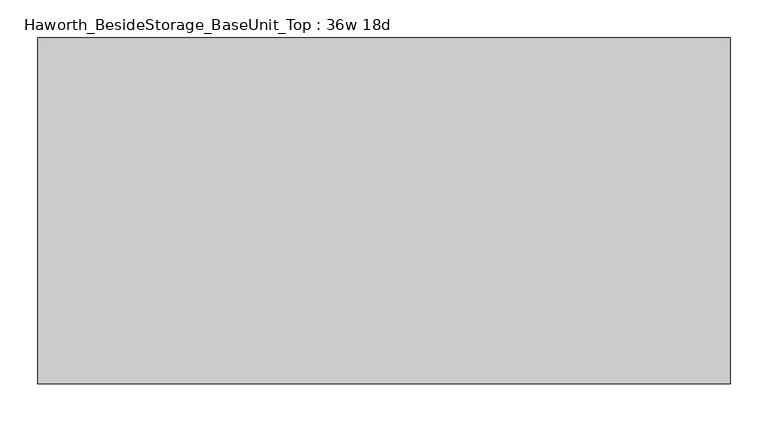
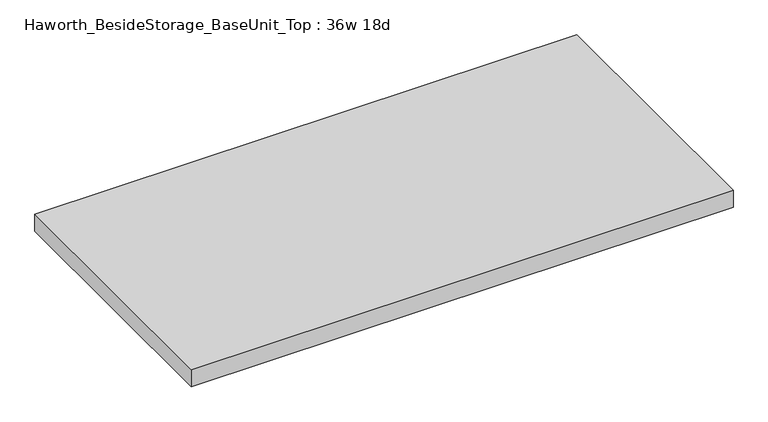
"""IFC4 building model written with IfcOpenShell, lengths in millimetres: furniture geometry, Haworth_BesideStorage_BaseUnit_Top : 36w 18d."""

import ifcopenshell
import ifcopenshell.guid

model = None  # the IFC model being written
_history = None  # IfcOwnerHistory: only IFC2X3 demands one
_inside = {}  # id of a spatial element -> (the spatial element, [elements in it])
_under = {}  # id of a project, library or spatial element -> (it, [spatial elements below it])
_declared = {}  # id of a project -> (the project, [libraries it declares])
_typed = {}  # id of a type object -> (the type object, [elements of that type])
_made_of = {}  # id of a material, layer set ... -> (it, [elements and type objects made of it])


def new_model(schema):
    """Start an empty IFC model of exactly this schema.

    Asked for "IFC4X3", IfcOpenShell would pick the latest addendum, in which some entities
    have other attributes; the version numbers below select the first issue.
    IFC2X3 requires an IfcOwnerHistory on every rooted entity: one is made here for all.
    """
    global model, _history
    if schema == "IFC4X3":
        model = ifcopenshell.file(schema_version=(4, 3, 0, 0))
    else:
        model = ifcopenshell.file(schema=schema)
    _inside.clear()
    _under.clear()
    _declared.clear()
    _typed.clear()
    _made_of.clear()
    _history = None
    if model.schema == "IFC2X3":
        org = make("IfcOrganization", Name="unknown")
        user = make(
            "IfcPersonAndOrganization",
            ThePerson=make("IfcPerson", FamilyName="unknown"),
            TheOrganization=org,
        )
        app = make(
            "IfcApplication",
            ApplicationDeveloper=org,
            Version="unknown",
            ApplicationFullName="unknown",
            ApplicationIdentifier="unknown",
        )
        _history = make(
            "IfcOwnerHistory",
            OwningUser=user,
            OwningApplication=app,
            ChangeAction="ADDED",
            CreationDate=0,
        )
    return model


def make(cls, **values):
    """One entity of the class cls with the attributes given. An attribute that is None is left unset."""
    return model.create_entity(
        cls, **{name: value for name, value in values.items() if value is not None}
    )


def rooted(cls, **values):
    """An entity with a GlobalId (a new one), such as an element, a storey or a relation."""
    return make(cls, GlobalId=ifcopenshell.guid.new(), OwnerHistory=_history, **values)


def si_unit(unit_type, name, prefix=None):
    """IfcSIUnit, for example si_unit("LENGTHUNIT", "METRE", prefix="MILLI")."""
    return make("IfcSIUnit", UnitType=unit_type, Prefix=prefix, Name=name)


def assignment(units):
    """IfcUnitAssignment: the units of a project."""
    return None if units is None else make("IfcUnitAssignment", Units=units)


def point(xyz):
    """IfcCartesianPoint."""
    return None if xyz is None else make("IfcCartesianPoint", Coordinates=xyz)


def direction(xyz):
    """IfcDirection."""
    return None if xyz is None else make("IfcDirection", DirectionRatios=xyz)


def frame(location, z_axis=None, x_axis=None):
    """IfcAxis2Placement3D, a coordinate frame: its origin and axes. An axis left out is left unset."""
    return make(
        "IfcAxis2Placement3D",
        Location=point(location),
        Axis=direction(z_axis),
        RefDirection=direction(x_axis),
    )


def origin():
    """The frame at (0, 0, 0) with its axes left unset."""
    return frame((0.0, 0.0, 0.0))


def place(relative_to, where):
    """IfcLocalPlacement: puts the frame where relative to a parent placement (None: the world)."""
    return make(
        "IfcLocalPlacement", PlacementRelTo=relative_to, RelativePlacement=where
    )


def context(
    kind, dimensions, precision=None, world=None, true_north=None, identifier=None
):
    """IfcGeometricRepresentationContext, for example the 3D "Model" context."""
    return make(
        "IfcGeometricRepresentationContext",
        ContextIdentifier=identifier,
        ContextType=kind,
        CoordinateSpaceDimension=dimensions,
        Precision=precision,
        WorldCoordinateSystem=world,
        TrueNorth=true_north,
    )


def project(units=None, contexts=None):
    """IfcProject with its units and contexts."""
    return rooted(
        "IfcProject",
        Name="project",
        RepresentationContexts=contexts,
        UnitsInContext=assignment(units),
    )


def spatial(cls, under=None, at=None, **own):
    """A site, building, storey or space (cls), placed at a placement, below another one or the project."""
    s = rooted(cls, ObjectPlacement=at, **own)
    if under is not None:
        _under.setdefault(under.id(), (under, []))[1].append(s)
    return s


def polyline(points):
    """IfcPolyline through the points."""
    return make("IfcPolyline", Points=[point(p) for p in points])


def outline(outer, holes=None, kind="AREA"):
    """IfcArbitraryClosedProfileDef: a profile drawn as a closed curve; with holes, ...WithVoids."""
    if holes is None:
        return make("IfcArbitraryClosedProfileDef", ProfileType=kind, OuterCurve=outer)
    return make(
        "IfcArbitraryProfileDefWithVoids",
        ProfileType=kind,
        OuterCurve=outer,
        InnerCurves=holes,
    )


def extrude(swept, where, along, depth):
    """IfcExtrudedAreaSolid: the profile swept, set in the frame where, extruded along a direction by depth."""
    return make(
        "IfcExtrudedAreaSolid",
        SweptArea=swept,
        Position=where,
        ExtrudedDirection=direction(along),
        Depth=depth,
    )


def shape(context_of_items, identifier, shape_type, items):
    """IfcShapeRepresentation: the items that make up one representation, for example the "Body"."""
    return make(
        "IfcShapeRepresentation",
        ContextOfItems=context_of_items,
        RepresentationIdentifier=identifier,
        RepresentationType=shape_type,
        Items=items,
    )


def source(mapping_origin, context_of_items, identifier, shape_type, items):
    """IfcRepresentationMap: a shape defined once, which mapped items show again and again."""
    return make(
        "IfcRepresentationMap",
        MappingOrigin=mapping_origin,
        MappedRepresentation=shape(context_of_items, identifier, shape_type, items),
    )


def transform(
    local_origin,
    x_axis=None,
    y_axis=None,
    z_axis=None,
    scale=None,
    scale2=None,
    scale3=None,
    uniform=True,
):
    """IfcCartesianTransformationOperator3D, or its non-uniform kind. x_axis, y_axis, z_axis: its Axis1, 2, 3."""
    if uniform:
        return make(
            "IfcCartesianTransformationOperator3D",
            Axis1=direction(x_axis),
            Axis2=direction(y_axis),
            LocalOrigin=point(local_origin),
            Scale=scale,
            Axis3=direction(z_axis),
        )
    return make(
        "IfcCartesianTransformationOperator3DnonUniform",
        Axis1=direction(x_axis),
        Axis2=direction(y_axis),
        LocalOrigin=point(local_origin),
        Scale=scale,
        Axis3=direction(z_axis),
        Scale2=scale2,
        Scale3=scale3,
    )


def mapped(mapping_source, mapping_target):
    """IfcMappedItem: shows the shape of a source again, moved by a transform."""
    return make(
        "IfcMappedItem", MappingSource=mapping_source, MappingTarget=mapping_target
    )


def made_of(thing, what):
    """Note that an element or type object is made of a material, layer set ...; save() writes the relation."""
    if what is not None:
        _made_of.setdefault(what.id(), (what, []))[1].append(thing)
    return thing


def element(
    cls,
    number,
    at=None,
    inside=None,
    cuts=None,
    type_object=None,
    material=None,
    context=None,
    identifier="Body",
    shape_type=None,
    held_by="IfcProductDefinitionShape",
    body=None,
    shapes=None,
    **own,
):
    """One element of the class cls, such as IfcWall. Its Tag is "e" and its number.

    at: its placement. inside: the storey or other place that contains it. cuts: it is an
    opening in that element (IfcRelVoidsElement). A single representation is given by context,
    identifier, shape_type and body (its items); several are given by shapes. held_by: the class
    of the entity that holds the representations. save() writes the other relations.
    """
    e = rooted(cls, Tag="e%d" % number, ObjectPlacement=at, **own)
    if body is not None:
        shapes = [shape(context, identifier, shape_type, body)]
    if shapes is not None:
        e.Representation = make(held_by, Representations=shapes)
    if inside is not None:
        _inside.setdefault(inside.id(), (inside, []))[1].append(e)
    if cuts is not None:
        rooted(
            "IfcRelVoidsElement", RelatingBuildingElement=cuts, RelatedOpeningElement=e
        )
    if type_object is not None:
        _typed.setdefault(type_object.id(), (type_object, []))[1].append(e)
    return made_of(e, material)


def aggregate(whole, parts):
    """IfcRelAggregates: a whole, such as a stair, and the parts it consists of."""
    return rooted("IfcRelAggregates", RelatingObject=whole, RelatedObjects=parts)


def save(model, path):
    """Write the relations noted so far, then the file.

    IfcRelAggregates (storeys below a building ...), IfcRelContainedInSpatialStructure (elements
    in a storey), IfcRelDefinesByType, IfcRelAssociatesMaterial and IfcRelDeclares: one each for
    every whole, place, type object, material and project.
    """
    for whole, parts in _under.values():
        aggregate(whole, parts)
    for where, things in _inside.values():
        rooted(
            "IfcRelContainedInSpatialStructure",
            RelatedElements=things,
            RelatingStructure=where,
        )
    for kind, things in _typed.values():
        rooted("IfcRelDefinesByType", RelatedObjects=things, RelatingType=kind)
    for what, things in _made_of.values():
        rooted("IfcRelAssociatesMaterial", RelatedObjects=things, RelatingMaterial=what)
    for by, libraries in _declared.values():
        rooted("IfcRelDeclares", RelatingContext=by, RelatedDefinitions=libraries)
    model.write(path)


def haworth_besidestorage_baseunit_top_36w_18d_c013632c(model_context):
    return source(origin(), model_context, "Body", "SweptSolid", [
        extrude(outline(polyline([(457.2, 228.6), (457.2, -228.6), (-457.2, -228.6), (-457.2, 228.6), (457.2, 228.6)])), frame((0.0, 0.0, 706.4375), z_axis=(0.0, 0.0, 1.0), x_axis=(1.0, 0.0, 0.0)), (0.0, 0.0, 1.0), 30.1625),
    ])


if __name__ == "__main__":
    model = new_model("IFC4")
    model_context = context("Model", 3, world=origin())
    ifc_project = project(units=[si_unit("LENGTHUNIT", "METRE", prefix="MILLI")], contexts=[model_context])
    site = spatial("IfcSite", under=ifc_project)
    building = spatial("IfcBuilding", under=site)
    placement = place(None, origin())
    haworth_besidestorage_baseunit_top_36w_18d_shape = haworth_besidestorage_baseunit_top_36w_18d_c013632c(model_context)
    element("IfcFurniture", 1, ObjectType="Haworth_BesideStorage_BaseUnit_Top : 36w 18d", at=placement, inside=building, context=model_context, shape_type="MappedRepresentation", body=[
        mapped(haworth_besidestorage_baseunit_top_36w_18d_shape, transform((0.0, 0.0, 0.0), x_axis=(1.0, 0.0, 0.0), y_axis=(0.0, 1.0, 0.0), z_axis=(0.0, 0.0, 1.0))),
    ])
    save(model, "model.ifc")
